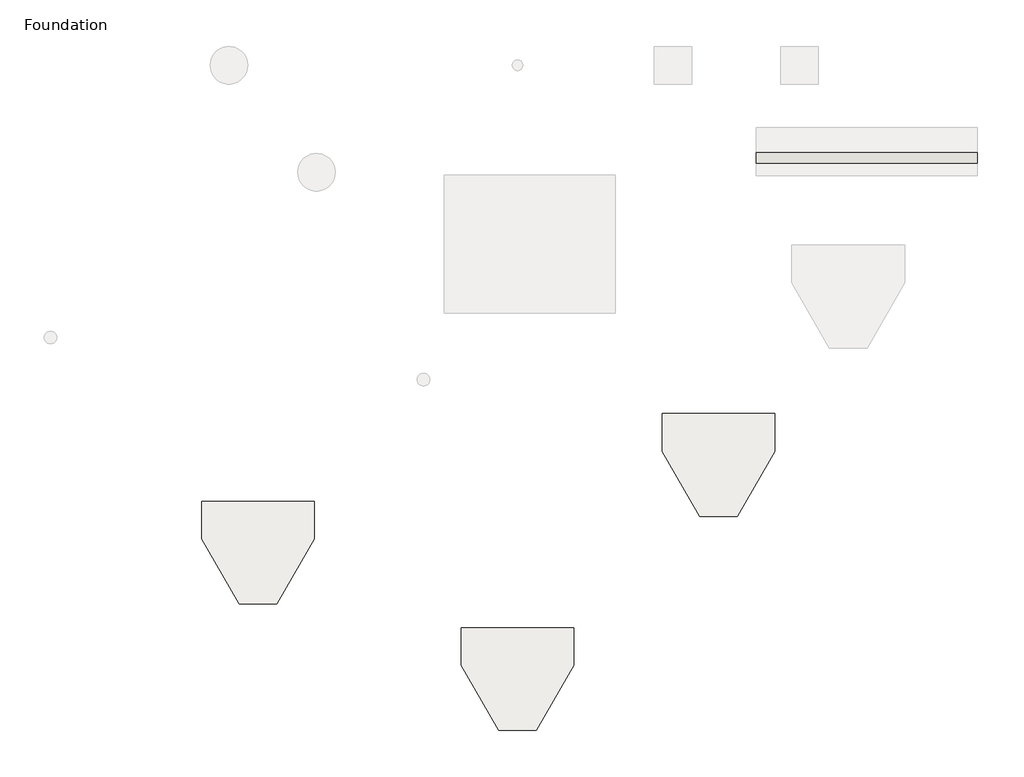
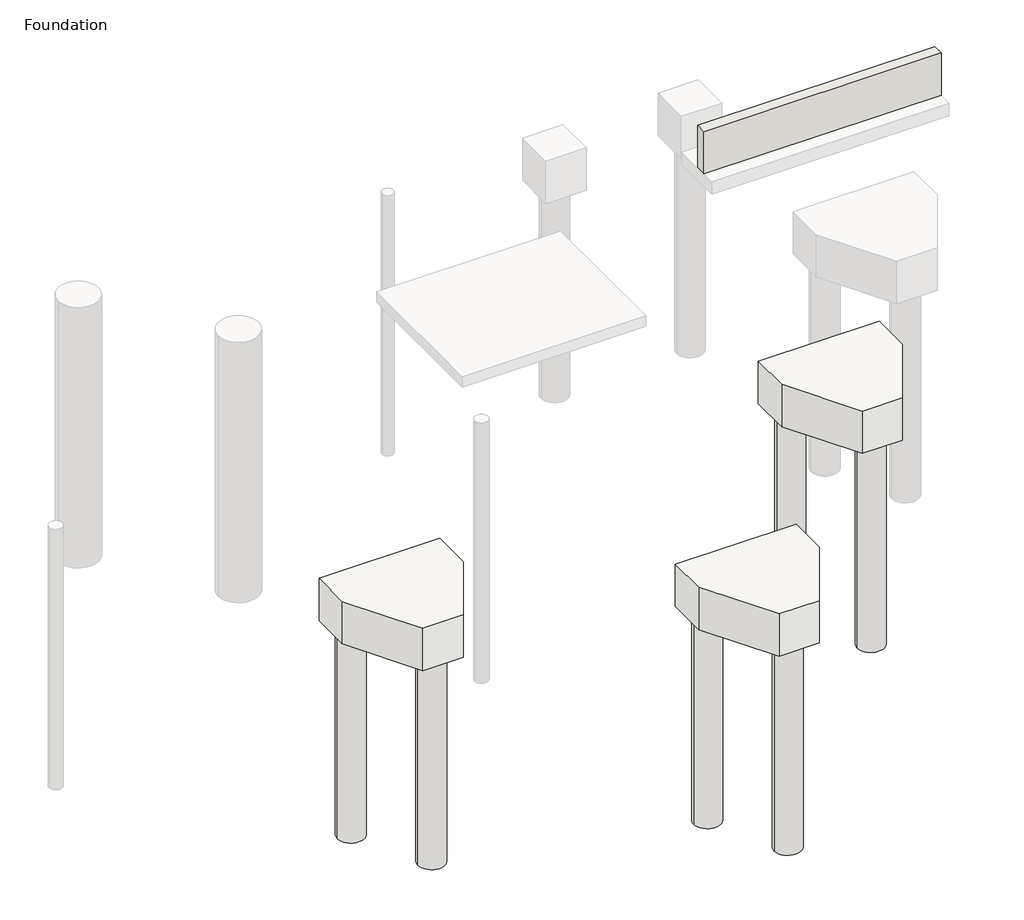
# One storey, part 1 of 2: 12 slabs, 1 wall.
"""IFC4 building model written with IfcOpenShell, lengths in millimetres."""

import ifcopenshell
import ifcopenshell.guid

model = None  # the IFC model being written
_history = None  # IfcOwnerHistory: only IFC2X3 demands one
_inside = {}  # id of a spatial element -> (the spatial element, [elements in it])
_under = {}  # id of a project, library or spatial element -> (it, [spatial elements below it])
_declared = {}  # id of a project -> (the project, [libraries it declares])
_typed = {}  # id of a type object -> (the type object, [elements of that type])
_made_of = {}  # id of a material, layer set ... -> (it, [elements and type objects made of it])


def new_model(schema):
    """Start an empty IFC model of exactly this schema.

    Asked for "IFC4X3", IfcOpenShell would pick the latest addendum, in which some entities
    have other attributes; the version numbers below select the first issue.
    IFC2X3 requires an IfcOwnerHistory on every rooted entity: one is made here for all.
    """
    global model, _history
    if schema == "IFC4X3":
        model = ifcopenshell.file(schema_version=(4, 3, 0, 0))
    else:
        model = ifcopenshell.file(schema=schema)
    _inside.clear()
    _under.clear()
    _declared.clear()
    _typed.clear()
    _made_of.clear()
    _history = None
    if model.schema == "IFC2X3":
        org = make("IfcOrganization", Name="unknown")
        user = make(
            "IfcPersonAndOrganization",
            ThePerson=make("IfcPerson", FamilyName="unknown"),
            TheOrganization=org,
        )
        app = make(
            "IfcApplication",
            ApplicationDeveloper=org,
            Version="unknown",
            ApplicationFullName="unknown",
            ApplicationIdentifier="unknown",
        )
        _history = make(
            "IfcOwnerHistory",
            OwningUser=user,
            OwningApplication=app,
            ChangeAction="ADDED",
            CreationDate=0,
        )
    return model


def make(cls, **values):
    """One entity of the class cls with the attributes given. An attribute that is None is left unset."""
    return model.create_entity(
        cls, **{name: value for name, value in values.items() if value is not None}
    )


def rooted(cls, **values):
    """An entity with a GlobalId (a new one), such as an element, a storey or a relation."""
    return make(cls, GlobalId=ifcopenshell.guid.new(), OwnerHistory=_history, **values)


def si_unit(unit_type, name, prefix=None):
    """IfcSIUnit, for example si_unit("LENGTHUNIT", "METRE", prefix="MILLI")."""
    return make("IfcSIUnit", UnitType=unit_type, Prefix=prefix, Name=name)


def assignment(units):
    """IfcUnitAssignment: the units of a project."""
    return None if units is None else make("IfcUnitAssignment", Units=units)


def point(xyz):
    """IfcCartesianPoint."""
    return None if xyz is None else make("IfcCartesianPoint", Coordinates=xyz)


def direction(xyz):
    """IfcDirection."""
    return None if xyz is None else make("IfcDirection", DirectionRatios=xyz)


def frame(location, z_axis=None, x_axis=None):
    """IfcAxis2Placement3D, a coordinate frame: its origin and axes. An axis left out is left unset."""
    return make(
        "IfcAxis2Placement3D",
        Location=point(location),
        Axis=direction(z_axis),
        RefDirection=direction(x_axis),
    )


def frame_2d(location, x_axis=None):
    """IfcAxis2Placement2D, a coordinate frame in the plane: its origin and x axis."""
    return make(
        "IfcAxis2Placement2D", Location=point(location), RefDirection=direction(x_axis)
    )


def origin():
    """The frame at (0, 0, 0) with its axes left unset."""
    return frame((0.0, 0.0, 0.0))


def place(relative_to, where):
    """IfcLocalPlacement: puts the frame where relative to a parent placement (None: the world)."""
    return make(
        "IfcLocalPlacement", PlacementRelTo=relative_to, RelativePlacement=where
    )


def context(
    kind, dimensions, precision=None, world=None, true_north=None, identifier=None
):
    """IfcGeometricRepresentationContext, for example the 3D "Model" context."""
    return make(
        "IfcGeometricRepresentationContext",
        ContextIdentifier=identifier,
        ContextType=kind,
        CoordinateSpaceDimension=dimensions,
        Precision=precision,
        WorldCoordinateSystem=world,
        TrueNorth=true_north,
    )


def project(units=None, contexts=None):
    """IfcProject with its units and contexts."""
    return rooted(
        "IfcProject",
        Name="project",
        RepresentationContexts=contexts,
        UnitsInContext=assignment(units),
    )


def spatial(cls, under=None, at=None, **own):
    """A site, building, storey or space (cls), placed at a placement, below another one or the project."""
    s = rooted(cls, ObjectPlacement=at, **own)
    if under is not None:
        _under.setdefault(under.id(), (under, []))[1].append(s)
    return s


def polyline(points):
    """IfcPolyline through the points."""
    return make("IfcPolyline", Points=[point(p) for p in points])


def circle_curve(where, radius):
    """IfcCircle in the frame where."""
    return make("IfcCircle", Position=where, Radius=radius)


def trimmed(basis, trim1, trim2, sense, master):
    """IfcTrimmedCurve: the piece of a basis curve between two trims."""
    return make(
        "IfcTrimmedCurve",
        BasisCurve=basis,
        Trim1=trim1,
        Trim2=trim2,
        SenseAgreement=sense,
        MasterRepresentation=master,
    )


def segment(curve, same_sense, transition):
    """IfcCompositeCurveSegment."""
    return make(
        "IfcCompositeCurveSegment",
        Transition=transition,
        SameSense=same_sense,
        ParentCurve=curve,
    )


def composite_curve(segments, self_intersect=None):
    """IfcCompositeCurve: segments joined end to end."""
    return make("IfcCompositeCurve", Segments=segments, SelfIntersect=self_intersect)


def outline(outer, holes=None, kind="AREA"):
    """IfcArbitraryClosedProfileDef: a profile drawn as a closed curve; with holes, ...WithVoids."""
    if holes is None:
        return make("IfcArbitraryClosedProfileDef", ProfileType=kind, OuterCurve=outer)
    return make(
        "IfcArbitraryProfileDefWithVoids",
        ProfileType=kind,
        OuterCurve=outer,
        InnerCurves=holes,
    )


def extrude(swept, where, along, depth):
    """IfcExtrudedAreaSolid: the profile swept, set in the frame where, extruded along a direction by depth."""
    return make(
        "IfcExtrudedAreaSolid",
        SweptArea=swept,
        Position=where,
        ExtrudedDirection=direction(along),
        Depth=depth,
    )


def shape(context_of_items, identifier, shape_type, items):
    """IfcShapeRepresentation: the items that make up one representation, for example the "Body"."""
    return make(
        "IfcShapeRepresentation",
        ContextOfItems=context_of_items,
        RepresentationIdentifier=identifier,
        RepresentationType=shape_type,
        Items=items,
    )


def made_of(thing, what):
    """Note that an element or type object is made of a material, layer set ...; save() writes the relation."""
    if what is not None:
        _made_of.setdefault(what.id(), (what, []))[1].append(thing)
    return thing


def element(
    cls,
    number,
    at=None,
    inside=None,
    cuts=None,
    type_object=None,
    material=None,
    context=None,
    identifier="Body",
    shape_type=None,
    held_by="IfcProductDefinitionShape",
    body=None,
    shapes=None,
    **own,
):
    """One element of the class cls, such as IfcWall. Its Tag is "e" and its number.

    at: its placement. inside: the storey or other place that contains it. cuts: it is an
    opening in that element (IfcRelVoidsElement). A single representation is given by context,
    identifier, shape_type and body (its items); several are given by shapes. held_by: the class
    of the entity that holds the representations. save() writes the other relations.
    """
    e = rooted(cls, Tag="e%d" % number, ObjectPlacement=at, **own)
    if body is not None:
        shapes = [shape(context, identifier, shape_type, body)]
    if shapes is not None:
        e.Representation = make(held_by, Representations=shapes)
    if inside is not None:
        _inside.setdefault(inside.id(), (inside, []))[1].append(e)
    if cuts is not None:
        rooted(
            "IfcRelVoidsElement", RelatingBuildingElement=cuts, RelatedOpeningElement=e
        )
    if type_object is not None:
        _typed.setdefault(type_object.id(), (type_object, []))[1].append(e)
    return made_of(e, material)


def aggregate(whole, parts):
    """IfcRelAggregates: a whole, such as a stair, and the parts it consists of."""
    return rooted("IfcRelAggregates", RelatingObject=whole, RelatedObjects=parts)


def save(model, path):
    """Write the relations noted so far, then the file.

    IfcRelAggregates (storeys below a building ...), IfcRelContainedInSpatialStructure (elements
    in a storey), IfcRelDefinesByType, IfcRelAssociatesMaterial and IfcRelDeclares: one each for
    every whole, place, type object, material and project.
    """
    for whole, parts in _under.values():
        aggregate(whole, parts)
    for where, things in _inside.values():
        rooted(
            "IfcRelContainedInSpatialStructure",
            RelatedElements=things,
            RelatingStructure=where,
        )
    for kind, things in _typed.values():
        rooted("IfcRelDefinesByType", RelatedObjects=things, RelatingType=kind)
    for what, things in _made_of.values():
        rooted("IfcRelAssociatesMaterial", RelatedObjects=things, RelatingMaterial=what)
    for by, libraries in _declared.values():
        rooted("IfcRelDeclares", RelatingContext=by, RelatedDefinitions=libraries)
    model.write(path)


def plane_surface(at):
    """IfcPlane: the flat surface through the origin of the frame at, square to its z axis."""
    return make("IfcPlane", Position=at)


def revolved_surface(curve, axis_point, axis_direction):
    """IfcSurfaceOfRevolution: the curve turned about the line through axis_point along axis_direction."""
    return make(
        "IfcSurfaceOfRevolution",
        SweptCurve=make("IfcArbitraryOpenProfileDef", ProfileType="CURVE", Curve=curve),
        AxisPosition=make("IfcAxis1Placement", Location=point(axis_point), Axis=direction(axis_direction)),
    )


def advanced_brep(points, edges, surfaces, faces):
    """IfcAdvancedBrep: a solid bounded by faces that lie on surfaces and meet in shared edges.

    An edge is (start, end): straight between two places in points (the first is 0);
    or (start, end, curve); or (start, end, curve, False) where it runs against its curve.
    A face is (place in surfaces, loops), or (place, loops, False) where it looks against
    its surface's normal. A loop lists edges by number (the first is 1), with a minus sign
    where the edge is run from its end to its start. The first loop is the outer one.
    """
    corners = [point(p) for p in points]
    vertices = [make("IfcVertexPoint", VertexGeometry=c) for c in corners]
    made = []
    for start, end, *more in edges:
        made.append(
            make(
                "IfcEdgeCurve",
                EdgeStart=vertices[start],
                EdgeEnd=vertices[end],
                EdgeGeometry=more[0] if more else make("IfcPolyline", Points=[corners[start], corners[end]]),
                SameSense=more[1] if len(more) > 1 else True,
            )
        )
    hull = []
    for where, loops, *sense in faces:
        bounds = []
        for j, loop in enumerate(loops):
            ring = [make("IfcOrientedEdge", EdgeElement=made[abs(k) - 1], Orientation=k > 0) for k in loop]
            bounds.append(
                make(
                    "IfcFaceOuterBound" if j == 0 else "IfcFaceBound",
                    Bound=make("IfcEdgeLoop", EdgeList=ring),
                    Orientation=True,
                )
            )
        hull.append(make("IfcAdvancedFace", Bounds=bounds, FaceSurface=surfaces[where], SameSense=sense[0] if sense else True))
    return make("IfcAdvancedBrep", Outer=make("IfcClosedShell", CfsFaces=hull))


model = new_model("IFC4")

# Units and contexts
model_context = context("Model", 3, world=origin())
ifc_project = project(units=[si_unit("LENGTHUNIT", "METRE", prefix="MILLI")], contexts=[model_context])

# Site, building, storey
site = spatial("IfcSite", under=ifc_project)
building = spatial("IfcBuilding", under=site)
storey = spatial("IfcBuildingStorey", under=building, Name="Foundation", Elevation=-1000.0)

# Slabs
placement = place(None, origin())
element("IfcSlab", 1, ObjectType="HM_Foundation_Pile-Circular : HM_Foundation_Pile-Circular", at=placement, inside=storey, context=model_context, shape_type="SweptSolid", body=[
    extrude(outline(composite_curve([segment(trimmed(circle_curve(frame_2d((420.0664935, -684.541132)), 300.0), [point((720.0664935, -684.541132))], [point((120.0664935, -684.541132))], False, "CARTESIAN"), True, "CONTINUOUS"), segment(trimmed(circle_curve(frame_2d((420.0664935, -684.541132)), 300.0), [point((120.0664935, -684.541132))], [point((720.0664935, -684.541132))], False, "CARTESIAN"), True, "CONTINUOUS")], self_intersect=False)), frame((0.0, 0.0, -6925.0), z_axis=(0.0, 0.0, 1.0), x_axis=(1.0, 0.0, 0.0)), (0.0, 0.0, 1.0), 5000.0),
])
element("IfcSlab", 2, ObjectType="HM_Foundation_Pile-Circular : HM_Foundation_Pile-Circular", at=placement, inside=storey, context=model_context, shape_type="SweptSolid", body=[
    extrude(outline(composite_curve([segment(trimmed(circle_curve(frame_2d((-1379.9335065, -684.541132)), 300.0), [point((-1079.9335065, -684.541132))], [point((-1679.9335065, -684.541132))], False, "CARTESIAN"), True, "CONTINUOUS"), segment(trimmed(circle_curve(frame_2d((-1379.9335065, -684.541132)), 300.0), [point((-1679.9335065, -684.541132))], [point((-1079.9335065, -684.541132))], False, "CARTESIAN"), True, "CONTINUOUS")], self_intersect=False)), frame((0.0, 0.0, -6925.0), z_axis=(0.0, 0.0, 1.0), x_axis=(1.0, 0.0, 0.0)), (0.0, 0.0, 1.0), 5000.0),
])
element("IfcSlab", 3, ObjectType="HM_Foundation_Pile-Circular : HM_Foundation_Pile-Circular", at=placement, inside=storey, context=model_context, shape_type="SweptSolid", body=[
    extrude(outline(composite_curve([segment(trimmed(circle_curve(frame_2d((-479.9335065, -2243.3868588)), 300.0), [point((-179.9335065, -2243.3868588))], [point((-779.9335065, -2243.3868588))], False, "CARTESIAN"), True, "CONTINUOUS"), segment(trimmed(circle_curve(frame_2d((-479.9335065, -2243.3868588)), 300.0), [point((-779.9335065, -2243.3868588))], [point((-179.9335065, -2243.3868588))], False, "CARTESIAN"), True, "CONTINUOUS")], self_intersect=False)), frame((0.0, 0.0, -6925.0), z_axis=(0.0, 0.0, 1.0), x_axis=(1.0, 0.0, 0.0)), (0.0, 0.0, 1.0), 5000.0),
])
element("IfcSlab", 4, ObjectType="HM_Foundation_Pile-Circular : HM_Foundation_Pile-Circular", at=placement, inside=storey, context=model_context, shape_type="SweptSolid", body=[
    extrude(outline(composite_curve([segment(trimmed(circle_curve(frame_2d((-10605.0494395, -2780.8659925)), 300.0), [point((-10305.0494395, -2780.8659925))], [point((-10905.0494395, -2780.8659925))], False, "CARTESIAN"), True, "CONTINUOUS"), segment(trimmed(circle_curve(frame_2d((-10605.0494395, -2780.8659925)), 300.0), [point((-10905.0494395, -2780.8659925))], [point((-10305.0494395, -2780.8659925))], False, "CARTESIAN"), True, "CONTINUOUS")], self_intersect=False)), frame((0.0, 0.0, -6925.0), z_axis=(0.0, 0.0, 1.0), x_axis=(1.0, 0.0, 0.0)), (0.0, 0.0, 1.0), 5000.0),
])
element("IfcSlab", 5, ObjectType="HM_Foundation_Pile-Circular : HM_Foundation_Pile-Circular", at=placement, inside=storey, context=model_context, shape_type="SweptSolid", body=[
    extrude(outline(composite_curve([segment(trimmed(circle_curve(frame_2d((-12405.0494395, -2780.8659925)), 300.0), [point((-12105.0494395, -2780.8659925))], [point((-12705.0494395, -2780.8659925))], False, "CARTESIAN"), True, "CONTINUOUS"), segment(trimmed(circle_curve(frame_2d((-12405.0494395, -2780.8659925)), 300.0), [point((-12705.0494395, -2780.8659925))], [point((-12105.0494395, -2780.8659925))], False, "CARTESIAN"), True, "CONTINUOUS")], self_intersect=False)), frame((0.0, 0.0, -6925.0), z_axis=(0.0, 0.0, 1.0), x_axis=(1.0, 0.0, 0.0)), (0.0, 0.0, 1.0), 5000.0),
])
element("IfcSlab", 6, ObjectType="HM_Foundation_Pile-Circular : HM_Foundation_Pile-Circular", at=placement, inside=storey, context=model_context, shape_type="SweptSolid", body=[
    extrude(outline(composite_curve([segment(trimmed(circle_curve(frame_2d((-11505.0494395, -4339.7117193)), 300.0), [point((-11205.0494395, -4339.7117193))], [point((-11805.0494395, -4339.7117193))], False, "CARTESIAN"), True, "CONTINUOUS"), segment(trimmed(circle_curve(frame_2d((-11505.0494395, -4339.7117193)), 300.0), [point((-11805.0494395, -4339.7117193))], [point((-11205.0494395, -4339.7117193))], False, "CARTESIAN"), True, "CONTINUOUS")], self_intersect=False)), frame((0.0, 0.0, -6925.0), z_axis=(0.0, 0.0, 1.0), x_axis=(1.0, 0.0, 0.0)), (0.0, 0.0, 1.0), 5000.0),
])
element("IfcSlab", 7, ObjectType="HM_Foundation_Pile-Circular : HM_Foundation_Pile-Circular", at=placement, inside=storey, context=model_context, shape_type="SweptSolid", body=[
    extrude(outline(composite_curve([segment(trimmed(circle_curve(frame_2d((-4393.7165195, -5808.890791)), 300.0), [point((-4093.7165195, -5808.890791))], [point((-4693.7165195, -5808.890791))], False, "CARTESIAN"), True, "CONTINUOUS"), segment(trimmed(circle_curve(frame_2d((-4393.7165195, -5808.890791)), 300.0), [point((-4693.7165195, -5808.890791))], [point((-4093.7165195, -5808.890791))], False, "CARTESIAN"), True, "CONTINUOUS")], self_intersect=False)), frame((0.0, 0.0, -6925.0), z_axis=(0.0, 0.0, 1.0), x_axis=(1.0, 0.0, 0.0)), (0.0, 0.0, 1.0), 5000.0),
])
element("IfcSlab", 8, ObjectType="HM_Foundation_Pile-Circular : HM_Foundation_Pile-Circular", at=placement, inside=storey, context=model_context, shape_type="SweptSolid", body=[
    extrude(outline(composite_curve([segment(trimmed(circle_curve(frame_2d((-6193.7165195, -5808.890791)), 300.0), [point((-5893.7165195, -5808.890791))], [point((-6493.7165195, -5808.890791))], False, "CARTESIAN"), True, "CONTINUOUS"), segment(trimmed(circle_curve(frame_2d((-6193.7165195, -5808.890791)), 300.0), [point((-6493.7165195, -5808.890791))], [point((-5893.7165195, -5808.890791))], False, "CARTESIAN"), True, "CONTINUOUS")], self_intersect=False)), frame((0.0, 0.0, -6925.0), z_axis=(0.0, 0.0, 1.0), x_axis=(1.0, 0.0, 0.0)), (0.0, 0.0, 1.0), 5000.0),
])
element("IfcSlab", 9, ObjectType="HM_Foundation_Pile-Circular : HM_Foundation_Pile-Circular", at=placement, inside=storey, context=model_context, shape_type="SweptSolid", body=[
    extrude(outline(composite_curve([segment(trimmed(circle_curve(frame_2d((-5293.7165195, -7367.7365178)), 300.0), [point((-4993.7165195, -7367.7365178))], [point((-5593.7165195, -7367.7365178))], False, "CARTESIAN"), True, "CONTINUOUS"), segment(trimmed(circle_curve(frame_2d((-5293.7165195, -7367.7365178)), 300.0), [point((-5593.7165195, -7367.7365178))], [point((-4993.7165195, -7367.7365178))], False, "CARTESIAN"), True, "CONTINUOUS")], self_intersect=False)), frame((0.0, 0.0, -6925.0), z_axis=(0.0, 0.0, 1.0), x_axis=(1.0, 0.0, 0.0)), (0.0, 0.0, 1.0), 5000.0),
])
element("IfcSlab", 10, ObjectType="HM_Foundation_PileCap-3 : 600 Dia Pile_1000 Thk Cap", at=placement, inside=storey, context=model_context, shape_type="AdvancedBrep", body=[
    advanced_brep(
    [(119.0664935, -684.541132, -1925.0), (721.0664935, -684.541132, -1925.0), (870.0664935, -234.541132, -1000.0), (-1829.9335065, -234.541132, -1000.0), (-1829.9335065, -1134.541132, -1000.0), (-929.9335065, -2693.3868588, -1000.0), (-29.9335065, -2693.3868588, -1000.0), (870.0664935, -1134.541132, -1000.0), (-329.4335065, -1982.7132123, -1925.0), (-630.4335065, -2504.0605053, -1925.0), (-1078.9335065, -684.541132, -1925.0), (-1680.9335065, -684.541132, -1925.0), (870.0664935, -234.541132, -2000.0), (870.0664935, -1134.541132, -2000.0), (-29.9335065, -2693.3868588, -2000.0), (-929.9335065, -2693.3868588, -2000.0), (-1829.9335065, -1134.541132, -2000.0), (-1829.9335065, -234.541132, -2000.0), (-1078.9335065, -684.541132, -2000.0), (-1680.9335065, -684.541132, -2000.0), (119.0664935, -684.541132, -2000.0), (721.0664935, -684.541132, -2000.0), (-329.4335065, -1982.7132123, -2000.0), (-630.4335065, -2504.0605053, -2000.0)],
    [
        (0, 1, circle_curve(frame((420.0664935, -684.541132, -1925.0), z_axis=(0.0, 0.0, -1.0), x_axis=(1.0, 0.0, 0.0)), 301.0)),
        (1, 0, circle_curve(frame((420.0664935, -684.541132, -1925.0), z_axis=(0.0, 0.0, -1.0), x_axis=(1.0, 0.0, 0.0)), 301.0)),
        (2, 3),
        (3, 4),
        (4, 5),
        (5, 6),
        (6, 7),
        (7, 2),
        (8, 9, circle_curve(frame((-479.9335065, -2243.3868588, -1925.0), z_axis=(0.0, 0.0, -1.0), x_axis=(1.0, 0.0, 0.0)), 301.0)),
        (9, 8, circle_curve(frame((-479.9335065, -2243.3868588, -1925.0), z_axis=(0.0, 0.0, -1.0), x_axis=(1.0, 0.0, 0.0)), 301.0)),
        (10, 11, circle_curve(frame((-1379.9335065, -684.541132, -1925.0), z_axis=(0.0, 0.0, -1.0), x_axis=(1.0, 0.0, 0.0)), 301.0)),
        (11, 10, circle_curve(frame((-1379.9335065, -684.541132, -1925.0), z_axis=(0.0, 0.0, -1.0), x_axis=(1.0, 0.0, 0.0)), 301.0)),
        (12, 13),
        (13, 14),
        (14, 15),
        (15, 16),
        (16, 17),
        (17, 12),
        (18, 19, circle_curve(frame((-1379.9335065, -684.541132, -2000.0), z_axis=(0.0, 0.0, 1.0), x_axis=(1.0, 0.0, 0.0)), 301.0)),
        (19, 18, circle_curve(frame((-1379.9335065, -684.541132, -2000.0), z_axis=(0.0, 0.0, 1.0), x_axis=(1.0, 0.0, 0.0)), 301.0)),
        (20, 21, circle_curve(frame((420.0664935, -684.541132, -2000.0), z_axis=(0.0, 0.0, 1.0), x_axis=(1.0, 0.0, 0.0)), 301.0)),
        (21, 20, circle_curve(frame((420.0664935, -684.541132, -2000.0), z_axis=(0.0, 0.0, 1.0), x_axis=(1.0, 0.0, 0.0)), 301.0)),
        (22, 23, circle_curve(frame((-479.9335065, -2243.3868588, -2000.0), z_axis=(0.0, 0.0, 1.0), x_axis=(1.0, 0.0, 0.0)), 301.0)),
        (23, 22, circle_curve(frame((-479.9335065, -2243.3868588, -2000.0), z_axis=(0.0, 0.0, 1.0), x_axis=(1.0, 0.0, 0.0)), 301.0)),
        (2, 12),
        (17, 3),
        (16, 4),
        (15, 5),
        (14, 6),
        (13, 7),
        (19, 11),
        (10, 18),
        (21, 1),
        (0, 20),
        (23, 9),
        (8, 22),
    ],
    [
        plane_surface(frame((420.0664935, -684.541132, -1925.0), z_axis=(0.0, 0.0, -1.0), x_axis=(0.0, -1.0, 0.0))),
        plane_surface(frame((420.0664935, -684.541132, -1000.0), z_axis=(0.0, 0.0, 1.0), x_axis=(0.0, -1.0, 0.0))),
        plane_surface(frame((-479.9335065, -2243.3868588, -1925.0), z_axis=(0.0, 0.0, -1.0), x_axis=(-0.8660254037844415, 0.4999999999999951, 0.0))),
        plane_surface(frame((-1379.9335065, -684.541132, -1925.0), z_axis=(0.0, 0.0, -1.0), x_axis=(0.0, -1.0, 0.0))),
        plane_surface(frame((-1829.9335065, -234.541132, -2000.0), z_axis=(0.0, 0.0, -1.0), x_axis=(1.0, 0.0, 0.0))),
        plane_surface(frame((870.0664935, -234.541132, -1000.0), z_axis=(0.0, 1.0, 0.0), x_axis=(0.0, 0.0, -1.0))),
        plane_surface(frame((-1829.9335065, -234.541132, -1000.0), z_axis=(-1.0, 0.0, 0.0), x_axis=(0.0, 0.0, -1.0))),
        plane_surface(frame((-1829.9335065, -1134.541132, -1000.0), z_axis=(-0.8660254037844382, -0.5000000000000009, 0.0), x_axis=(0.0, 0.0, -1.0))),
        plane_surface(frame((-929.9335065, -2693.3868588, -1000.0), z_axis=(0.0, -1.0, 0.0), x_axis=(0.0, 0.0, -1.0))),
        plane_surface(frame((-29.9335065, -2693.3868588, -1000.0), z_axis=(0.8660254037844382, -0.5000000000000009, 0.0), x_axis=(0.0, 0.0, -1.0))),
        plane_surface(frame((870.0664935, -1134.541132, -1000.0), z_axis=(1.0, 0.0, 0.0), x_axis=(0.0, 0.0, -1.0))),
        revolved_surface(polyline([(-1078.9335065, -684.541132, -2000.0), (-1078.9335065, -684.541132, -1925.0)]), (-1379.9335065, -684.541132, -1000.0), (0.0, 0.0, -1.0)),
        revolved_surface(polyline([(721.0664935, -684.541132, -2000.0), (721.0664935, -684.541132, -1925.0)]), (420.0664935, -684.541132, -1000.0), (0.0, 0.0, -1.0)),
        revolved_surface(polyline([(-178.93350650000002, -2243.3868588, -2000.0), (-178.93350650000002, -2243.3868588, -1925.0)]), (-479.9335065, -2243.3868588, -1000.0), (0.0, 0.0, -1.0)),
    ],
    [
        (0, [[1, 2]]),
        (1, [[3, 4, 5, 6, 7, 8]]),
        (2, [[9, 10]]),
        (3, [[11, 12]]),
        (4, [[13, 14, 15, 16, 17, 18], [19, 20], [21, 22], [23, 24]]),
        (5, [[-3, 25, -18, 26]]),
        (6, [[-4, -26, -17, 27]]),
        (7, [[-5, -27, -16, 28]]),
        (8, [[-6, -28, -15, 29]]),
        (9, [[-7, -29, -14, 30]]),
        (10, [[-8, -30, -13, -25]]),
        (11, [[-20, 31, -11, 32]]),
        (11, [[-19, -32, -12, -31]]),
        (12, [[-22, 33, -1, 34]]),
        (12, [[-21, -34, -2, -33]]),
        (13, [[-24, 35, -9, 36]]),
        (13, [[-23, -36, -10, -35]]),
    ],
),
])
element("IfcSlab", 11, ObjectType="HM_Foundation_PileCap-3 : 600 Dia Pile_1000 Thk Cap", at=placement, inside=storey, context=model_context, shape_type="AdvancedBrep", body=[
    advanced_brep(
    [(-10906.0494395, -2780.8659925, -1925.0), (-10304.0494395, -2780.8659925, -1925.0), (-10155.0494395, -2330.8659925, -1000.0), (-12855.0494395, -2330.8659925, -1000.0), (-12855.0494395, -3230.8659925, -1000.0), (-11955.0494395, -4789.7117193, -1000.0), (-11055.0494395, -4789.7117193, -1000.0), (-10155.0494395, -3230.8659925, -1000.0), (-11354.5494395, -4079.0380728, -1925.0), (-11655.5494395, -4600.3853658, -1925.0), (-12104.0494395, -2780.8659925, -1925.0), (-12706.0494395, -2780.8659925, -1925.0), (-10155.0494395, -2330.8659925, -2000.0), (-10155.0494395, -3230.8659925, -2000.0), (-11055.0494395, -4789.7117193, -2000.0), (-11955.0494395, -4789.7117193, -2000.0), (-12855.0494395, -3230.8659925, -2000.0), (-12855.0494395, -2330.8659925, -2000.0), (-12104.0494395, -2780.8659925, -2000.0), (-12706.0494395, -2780.8659925, -2000.0), (-10906.0494395, -2780.8659925, -2000.0), (-10304.0494395, -2780.8659925, -2000.0), (-11354.5494395, -4079.0380728, -2000.0), (-11655.5494395, -4600.3853658, -2000.0)],
    [
        (0, 1, circle_curve(frame((-10605.0494395, -2780.8659925, -1925.0), z_axis=(0.0, 0.0, -1.0), x_axis=(1.0, 0.0, 0.0)), 301.0)),
        (1, 0, circle_curve(frame((-10605.0494395, -2780.8659925, -1925.0), z_axis=(0.0, 0.0, -1.0), x_axis=(1.0, 0.0, 0.0)), 301.0)),
        (2, 3),
        (3, 4),
        (4, 5),
        (5, 6),
        (6, 7),
        (7, 2),
        (8, 9, circle_curve(frame((-11505.0494395, -4339.7117193, -1925.0), z_axis=(0.0, 0.0, -1.0), x_axis=(1.0, 0.0, 0.0)), 301.0)),
        (9, 8, circle_curve(frame((-11505.0494395, -4339.7117193, -1925.0), z_axis=(0.0, 0.0, -1.0), x_axis=(1.0, 0.0, 0.0)), 301.0)),
        (10, 11, circle_curve(frame((-12405.0494395, -2780.8659925, -1925.0), z_axis=(0.0, 0.0, -1.0), x_axis=(1.0, 0.0, 0.0)), 301.0)),
        (11, 10, circle_curve(frame((-12405.0494395, -2780.8659925, -1925.0), z_axis=(0.0, 0.0, -1.0), x_axis=(1.0, 0.0, 0.0)), 301.0)),
        (12, 13),
        (13, 14),
        (14, 15),
        (15, 16),
        (16, 17),
        (17, 12),
        (18, 19, circle_curve(frame((-12405.0494395, -2780.8659925, -2000.0), z_axis=(0.0, 0.0, 1.0), x_axis=(1.0, 0.0, 0.0)), 301.0)),
        (19, 18, circle_curve(frame((-12405.0494395, -2780.8659925, -2000.0), z_axis=(0.0, 0.0, 1.0), x_axis=(1.0, 0.0, 0.0)), 301.0)),
        (20, 21, circle_curve(frame((-10605.0494395, -2780.8659925, -2000.0), z_axis=(0.0, 0.0, 1.0), x_axis=(1.0, 0.0, 0.0)), 301.0)),
        (21, 20, circle_curve(frame((-10605.0494395, -2780.8659925, -2000.0), z_axis=(0.0, 0.0, 1.0), x_axis=(1.0, 0.0, 0.0)), 301.0)),
        (22, 23, circle_curve(frame((-11505.0494395, -4339.7117193, -2000.0), z_axis=(0.0, 0.0, 1.0), x_axis=(1.0, 0.0, 0.0)), 301.0)),
        (23, 22, circle_curve(frame((-11505.0494395, -4339.7117193, -2000.0), z_axis=(0.0, 0.0, 1.0), x_axis=(1.0, 0.0, 0.0)), 301.0)),
        (2, 12),
        (17, 3),
        (16, 4),
        (15, 5),
        (14, 6),
        (13, 7),
        (19, 11),
        (10, 18),
        (21, 1),
        (0, 20),
        (23, 9),
        (8, 22),
    ],
    [
        plane_surface(frame((-10605.0494395, -2780.8659925, -1925.0), z_axis=(0.0, 0.0, -1.0), x_axis=(0.0, -1.0, 0.0))),
        plane_surface(frame((-10605.0494395, -2780.8659925, -1000.0), z_axis=(0.0, 0.0, 1.0), x_axis=(0.0, -1.0, 0.0))),
        plane_surface(frame((-11505.0494395, -4339.7117193, -1925.0), z_axis=(0.0, 0.0, -1.0), x_axis=(-0.8660254037844415, 0.4999999999999951, 0.0))),
        plane_surface(frame((-12405.0494395, -2780.8659925, -1925.0), z_axis=(0.0, 0.0, -1.0), x_axis=(0.0, -1.0, 0.0))),
        plane_surface(frame((-12855.0494395, -2330.8659925, -2000.0), z_axis=(0.0, 0.0, -1.0), x_axis=(1.0, 0.0, 0.0))),
        plane_surface(frame((-10155.0494395, -2330.8659925, -1000.0), z_axis=(0.0, 1.0, 0.0), x_axis=(0.0, 0.0, -1.0))),
        plane_surface(frame((-12855.0494395, -2330.8659925, -1000.0), z_axis=(-1.0, 0.0, 0.0), x_axis=(0.0, 0.0, -1.0))),
        plane_surface(frame((-12855.0494395, -3230.8659925, -1000.0), z_axis=(-0.8660254037844382, -0.5000000000000009, 0.0), x_axis=(0.0, 0.0, -1.0))),
        plane_surface(frame((-11955.0494395, -4789.7117193, -1000.0), z_axis=(0.0, -1.0, 0.0), x_axis=(0.0, 0.0, -1.0))),
        plane_surface(frame((-11055.0494395, -4789.7117193, -1000.0), z_axis=(0.8660254037844382, -0.5000000000000009, 0.0), x_axis=(0.0, 0.0, -1.0))),
        plane_surface(frame((-10155.0494395, -3230.8659925, -1000.0), z_axis=(1.0, 0.0, 0.0), x_axis=(0.0, 0.0, -1.0))),
        revolved_surface(polyline([(-12104.0494395, -2780.8659925, -2000.0), (-12104.0494395, -2780.8659925, -1925.0)]), (-12405.0494395, -2780.8659925, -1000.0), (0.0, 0.0, -1.0)),
        revolved_surface(polyline([(-10304.0494395, -2780.8659925, -2000.0), (-10304.0494395, -2780.8659925, -1925.0)]), (-10605.0494395, -2780.8659925, -1000.0), (0.0, 0.0, -1.0)),
        revolved_surface(polyline([(-11204.0494395, -4339.7117193, -2000.0), (-11204.0494395, -4339.7117193, -1925.0)]), (-11505.0494395, -4339.7117193, -1000.0), (0.0, 0.0, -1.0)),
    ],
    [
        (0, [[1, 2]]),
        (1, [[3, 4, 5, 6, 7, 8]]),
        (2, [[9, 10]]),
        (3, [[11, 12]]),
        (4, [[13, 14, 15, 16, 17, 18], [19, 20], [21, 22], [23, 24]]),
        (5, [[-3, 25, -18, 26]]),
        (6, [[-4, -26, -17, 27]]),
        (7, [[-5, -27, -16, 28]]),
        (8, [[-6, -28, -15, 29]]),
        (9, [[-7, -29, -14, 30]]),
        (10, [[-8, -30, -13, -25]]),
        (11, [[-20, 31, -11, 32]]),
        (11, [[-19, -32, -12, -31]]),
        (12, [[-22, 33, -1, 34]]),
        (12, [[-21, -34, -2, -33]]),
        (13, [[-24, 35, -9, 36]]),
        (13, [[-23, -36, -10, -35]]),
    ],
),
])
element("IfcSlab", 12, ObjectType="HM_Foundation_PileCap-3 : 600 Dia Pile_1000 Thk Cap", at=placement, inside=storey, context=model_context, shape_type="AdvancedBrep", body=[
    advanced_brep(
    [(-4694.7165195, -5808.890791, -1925.0), (-4092.7165195, -5808.890791, -1925.0), (-3943.7165195, -5358.890791, -1000.0), (-6643.7165195, -5358.890791, -1000.0), (-6643.7165195, -6258.890791, -1000.0), (-5743.7165195, -7817.7365178, -1000.0), (-4843.7165195, -7817.7365178, -1000.0), (-3943.7165195, -6258.890791, -1000.0), (-5143.2165195, -7107.0628713, -1925.0), (-5444.2165195, -7628.4101643, -1925.0), (-5892.7165195, -5808.890791, -1925.0), (-6494.7165195, -5808.890791, -1925.0), (-3943.7165195, -5358.890791, -2000.0), (-3943.7165195, -6258.890791, -2000.0), (-4843.7165195, -7817.7365178, -2000.0), (-5743.7165195, -7817.7365178, -2000.0), (-6643.7165195, -6258.890791, -2000.0), (-6643.7165195, -5358.890791, -2000.0), (-5892.7165195, -5808.890791, -2000.0), (-6494.7165195, -5808.890791, -2000.0), (-4694.7165195, -5808.890791, -2000.0), (-4092.7165195, -5808.890791, -2000.0), (-5143.2165195, -7107.0628713, -2000.0), (-5444.2165195, -7628.4101643, -2000.0)],
    [
        (0, 1, circle_curve(frame((-4393.7165195, -5808.890791, -1925.0), z_axis=(0.0, 0.0, -1.0), x_axis=(1.0, 0.0, 0.0)), 301.0)),
        (1, 0, circle_curve(frame((-4393.7165195, -5808.890791, -1925.0), z_axis=(0.0, 0.0, -1.0), x_axis=(1.0, 0.0, 0.0)), 301.0)),
        (2, 3),
        (3, 4),
        (4, 5),
        (5, 6),
        (6, 7),
        (7, 2),
        (8, 9, circle_curve(frame((-5293.7165195, -7367.7365178, -1925.0), z_axis=(0.0, 0.0, -1.0), x_axis=(1.0, 0.0, 0.0)), 301.0)),
        (9, 8, circle_curve(frame((-5293.7165195, -7367.7365178, -1925.0), z_axis=(0.0, 0.0, -1.0), x_axis=(1.0, 0.0, 0.0)), 301.0)),
        (10, 11, circle_curve(frame((-6193.7165195, -5808.890791, -1925.0), z_axis=(0.0, 0.0, -1.0), x_axis=(1.0, 0.0, 0.0)), 301.0)),
        (11, 10, circle_curve(frame((-6193.7165195, -5808.890791, -1925.0), z_axis=(0.0, 0.0, -1.0), x_axis=(1.0, 0.0, 0.0)), 301.0)),
        (12, 13),
        (13, 14),
        (14, 15),
        (15, 16),
        (16, 17),
        (17, 12),
        (18, 19, circle_curve(frame((-6193.7165195, -5808.890791, -2000.0), z_axis=(0.0, 0.0, 1.0), x_axis=(1.0, 0.0, 0.0)), 301.0)),
        (19, 18, circle_curve(frame((-6193.7165195, -5808.890791, -2000.0), z_axis=(0.0, 0.0, 1.0), x_axis=(1.0, 0.0, 0.0)), 301.0)),
        (20, 21, circle_curve(frame((-4393.7165195, -5808.890791, -2000.0), z_axis=(0.0, 0.0, 1.0), x_axis=(1.0, 0.0, 0.0)), 301.0)),
        (21, 20, circle_curve(frame((-4393.7165195, -5808.890791, -2000.0), z_axis=(0.0, 0.0, 1.0), x_axis=(1.0, 0.0, 0.0)), 301.0)),
        (22, 23, circle_curve(frame((-5293.7165195, -7367.7365178, -2000.0), z_axis=(0.0, 0.0, 1.0), x_axis=(1.0, 0.0, 0.0)), 301.0)),
        (23, 22, circle_curve(frame((-5293.7165195, -7367.7365178, -2000.0), z_axis=(0.0, 0.0, 1.0), x_axis=(1.0, 0.0, 0.0)), 301.0)),
        (2, 12),
        (17, 3),
        (16, 4),
        (15, 5),
        (14, 6),
        (13, 7),
        (19, 11),
        (10, 18),
        (21, 1),
        (0, 20),
        (23, 9),
        (8, 22),
    ],
    [
        plane_surface(frame((-4393.7165195, -5808.890791, -1925.0), z_axis=(0.0, 0.0, -1.0), x_axis=(0.0, -1.0, 0.0))),
        plane_surface(frame((-4393.7165195, -5808.890791, -1000.0), z_axis=(0.0, 0.0, 1.0), x_axis=(0.0, -1.0, 0.0))),
        plane_surface(frame((-5293.7165195, -7367.7365178, -1925.0), z_axis=(0.0, 0.0, -1.0), x_axis=(-0.8660254037844415, 0.4999999999999951, 0.0))),
        plane_surface(frame((-6193.7165195, -5808.890791, -1925.0), z_axis=(0.0, 0.0, -1.0), x_axis=(0.0, -1.0, 0.0))),
        plane_surface(frame((-6643.7165195, -5358.890791, -2000.0), z_axis=(0.0, 0.0, -1.0), x_axis=(1.0, 0.0, 0.0))),
        plane_surface(frame((-3943.7165195, -5358.890791, -1000.0), z_axis=(0.0, 1.0, 0.0), x_axis=(0.0, 0.0, -1.0))),
        plane_surface(frame((-6643.7165195, -5358.890791, -1000.0), z_axis=(-1.0, 0.0, 0.0), x_axis=(0.0, 0.0, -1.0))),
        plane_surface(frame((-6643.7165195, -6258.890791, -1000.0), z_axis=(-0.8660254037844382, -0.5000000000000009, 0.0), x_axis=(0.0, 0.0, -1.0))),
        plane_surface(frame((-5743.7165195, -7817.7365178, -1000.0), z_axis=(0.0, -1.0, 0.0), x_axis=(0.0, 0.0, -1.0))),
        plane_surface(frame((-4843.7165195, -7817.7365178, -1000.0), z_axis=(0.8660254037844382, -0.5000000000000009, 0.0), x_axis=(0.0, 0.0, -1.0))),
        plane_surface(frame((-3943.7165195, -6258.890791, -1000.0), z_axis=(1.0, 0.0, 0.0), x_axis=(0.0, 0.0, -1.0))),
        revolved_surface(polyline([(-5892.7165195, -5808.890791, -2000.0), (-5892.7165195, -5808.890791, -1925.0)]), (-6193.7165195, -5808.890791, -1000.0), (0.0, 0.0, -1.0)),
        revolved_surface(polyline([(-4092.7165195, -5808.890791, -2000.0), (-4092.7165195, -5808.890791, -1925.0)]), (-4393.7165195, -5808.890791, -1000.0), (0.0, 0.0, -1.0)),
        revolved_surface(polyline([(-4992.7165195, -7367.7365178, -2000.0), (-4992.7165195, -7367.7365178, -1925.0)]), (-5293.7165195, -7367.7365178, -1000.0), (0.0, 0.0, -1.0)),
    ],
    [
        (0, [[1, 2]]),
        (1, [[3, 4, 5, 6, 7, 8]]),
        (2, [[9, 10]]),
        (3, [[11, 12]]),
        (4, [[13, 14, 15, 16, 17, 18], [19, 20], [21, 22], [23, 24]]),
        (5, [[-3, 25, -18, 26]]),
        (6, [[-4, -26, -17, 27]]),
        (7, [[-5, -27, -16, 28]]),
        (8, [[-6, -28, -15, 29]]),
        (9, [[-7, -29, -14, 30]]),
        (10, [[-8, -30, -13, -25]]),
        (11, [[-20, 31, -11, 32]]),
        (11, [[-19, -32, -12, -31]]),
        (12, [[-22, 33, -1, 34]]),
        (12, [[-21, -34, -2, -33]]),
        (13, [[-24, 35, -9, 36]]),
        (13, [[-23, -36, -10, -35]]),
    ],
),
])

# Wall
element("IfcWall", 13, ObjectType="HM_Wall_RC-250mm", at=placement, inside=storey, context=model_context, shape_type="SweptSolid", body=[
    extrude(outline(polyline([(5718.3349077, 5765.1994008), (418.3349077, 5765.1994008), (418.3349077, 6015.1994008), (5718.3349077, 6015.1994008), (5718.3349077, 5765.1994008)])), frame((0.0, 0.0, -1000.0), z_axis=(0.0, 0.0, 1.0), x_axis=(1.0, 0.0, 0.0)), (0.0, 0.0, 1.0), 1000.0),
])

save(model, "model.ifc")
